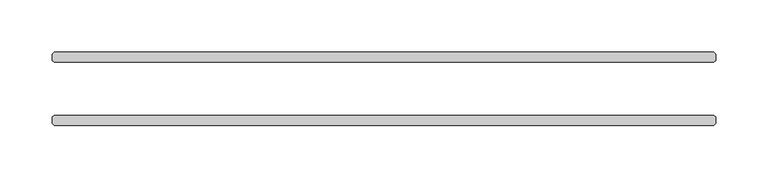
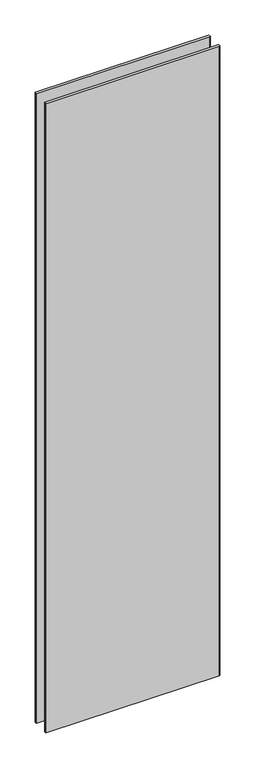
"""IFC4 building model written with IfcOpenShell, lengths in millimetres: plate geometry."""

from ifc_helpers import new_model, si_unit, origin, origin_with_axes, place, context, project, spatial, polyline, outline, extrude, source, transform, mapped, element, save


def plate_fce96cb8(model_context):
    return source(origin(), model_context, "Body", "SweptSolid", [
        extrude(outline(polyline([(315.11875, 25.4), (-315.11875, 25.4), (-316.70625, 26.9875), (-316.70625, 33.3375), (-315.11875, 34.925), (315.11875, 34.925), (316.70625, 33.3375), (316.70625, 26.9875), (315.11875, 25.4)])), origin_with_axes(), (0.0, 0.0, 1.0), 2417.7625023),
        extrude(outline(polyline([(315.11875, -34.925), (-315.11875, -34.925), (-316.70625, -33.3375), (-316.70625, -26.9875), (-315.11875, -25.4), (315.11875, -25.4), (316.70625, -26.9875), (316.70625, -33.3375), (315.11875, -34.925)])), origin_with_axes(), (0.0, 0.0, 1.0), 2417.7625023),
    ])


if __name__ == "__main__":
    model = new_model("IFC4")
    model_context = context("Model", 3, world=origin())
    ifc_project = project(units=[si_unit("LENGTHUNIT", "METRE", prefix="MILLI")], contexts=[model_context])
    site = spatial("IfcSite", under=ifc_project)
    building = spatial("IfcBuilding", under=site)
    placement = place(None, origin())
    plate_shape = plate_fce96cb8(model_context)
    element("IfcPlate", 1, at=placement, inside=building, context=model_context, shape_type="MappedRepresentation", body=[
        mapped(plate_shape, transform((0.0, 0.0, 0.0), x_axis=(1.0, 0.0, 0.0), y_axis=(0.0, 1.0, 0.0), z_axis=(0.0, 0.0, 1.0))),
    ])
    save(model, "model.ifc")
